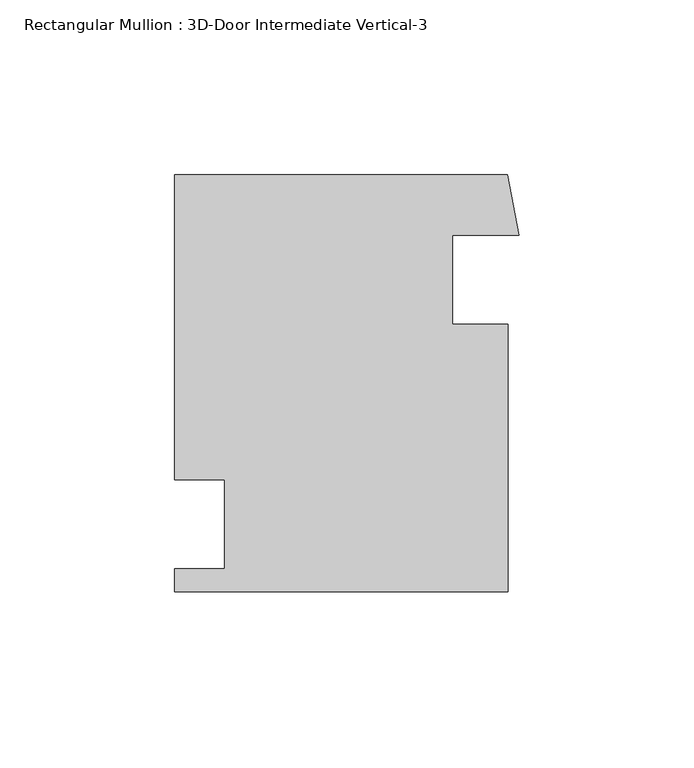
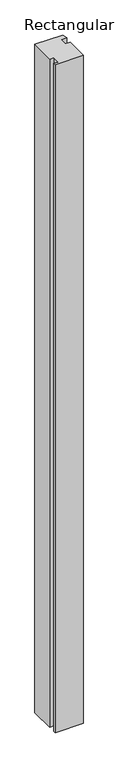
"""IFC4 building model written with IfcOpenShell, lengths in millimetres: member geometry, Rectangular Mullion : 3D-Door Intermediate Vertical-3."""

from ifc_helpers import new_model, si_unit, frame, origin, place, context, project, spatial, polyline, outline, extrude, source, transform, mapped, element, save


def rectangular_mullion_3d_door_intermediate_vertical_3_061059dc(model_context):
    return source(origin(), model_context, "Body", "SweptSolid", [
        extrude(outline(polyline([(47.4749051, 46.0375), (50.8163799, 28.8163356), (31.7499981, 28.8163356), (31.7499981, 3.4163356), (47.625, 3.4163356), (47.625, -73.025), (-47.625, -73.025), (-47.625, -66.4463644), (-33.337512, -66.4463644), (-33.337512, -41.0463644), (-47.625, -41.0463644), (-47.625, 46.0375), (47.4749051, 46.0375)])), frame((0.0, 0.0, -2408.7328604), z_axis=(0.0, 0.0, 1.0), x_axis=(1.0, 0.0, 0.0)), (0.0, 0.0, 1.0), 2408.7328604),
    ])


if __name__ == "__main__":
    model = new_model("IFC4")
    model_context = context("Model", 3, world=origin())
    ifc_project = project(units=[si_unit("LENGTHUNIT", "METRE", prefix="MILLI")], contexts=[model_context])
    site = spatial("IfcSite", under=ifc_project)
    building = spatial("IfcBuilding", under=site)
    placement = place(None, origin())
    rectangular_mullion_3d_door_intermediate_vertical_3_shape = rectangular_mullion_3d_door_intermediate_vertical_3_061059dc(model_context)
    element("IfcMember", 1, ObjectType="Rectangular Mullion : 3D-Door Intermediate Vertical-3", at=placement, inside=building, context=model_context, shape_type="MappedRepresentation", body=[
        mapped(rectangular_mullion_3d_door_intermediate_vertical_3_shape, transform((0.0, 0.0, 0.0), x_axis=(1.0, 0.0, 0.0), y_axis=(0.0, 1.0, 0.0), z_axis=(0.0, 0.0, 1.0))),
    ])
    save(model, "model.ifc")
